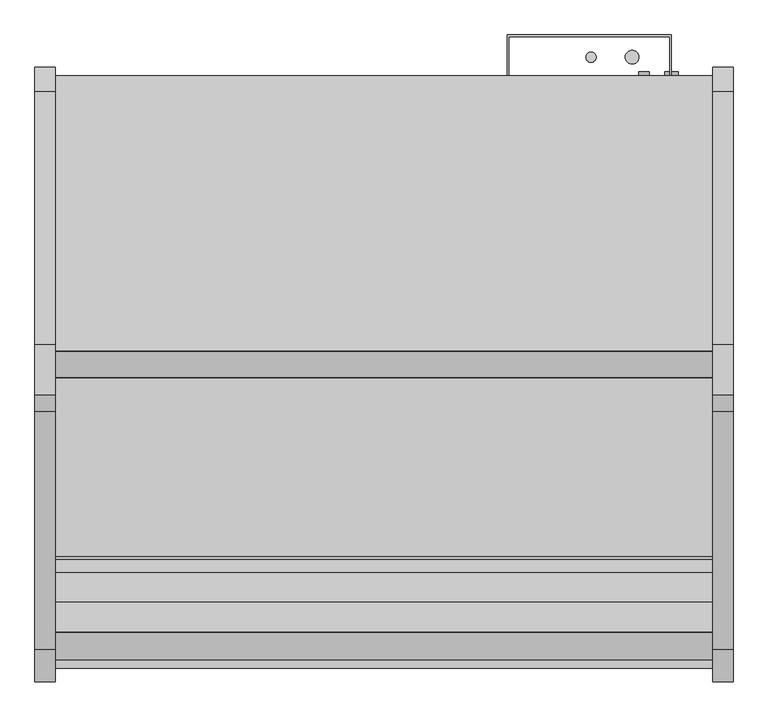
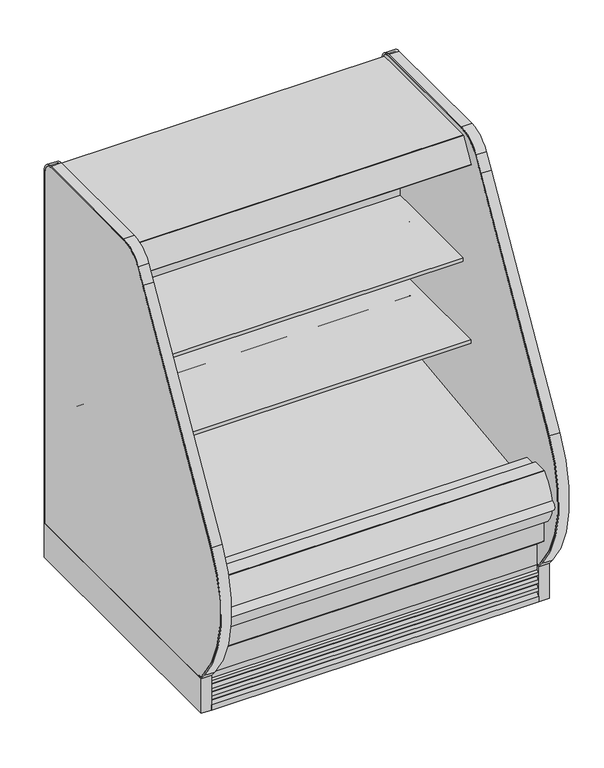
"""IFC4 building model written with IfcOpenShell, lengths in millimetres: proxy geometry."""

from ifc_helpers import new_model, si_unit, point, frame, frame_2d, origin, origin_with_axes, place, context, project, spatial, polyline, circle_curve, trimmed, segment, composite_curve, outline, extrude, source, transform, mapped, element, save
from ifc_brep_helpers import plane_surface, revolved_surface, advanced_brep


def mechanical_equipment_8da21b60(model_context):
    return source(origin(), model_context, "Body", "SolidModel", [
        extrude(outline(polyline([(-1207.2868281, 130.175), (-1207.2868281, -0.0003808), (-1376.2339273, -0.0003808), (-1376.2339273, 136.4466748), (-1288.2500912, 136.4466748), (-1280.7758002, 130.175), (-1207.2868281, 130.175)])), frame((0.0, 0.0, 0.0), z_axis=(1.0, 0.0, 0.0), x_axis=(0.0, 1.0, 0.0)), (0.0, 0.0, 1.0), 1219.2),
        extrude(outline(composite_curve([segment(polyline([(-1398.2490481, 0.0), (-1398.2490481, 20.8794252)]), True, "CONTINUOUS"), segment(trimmed(circle_curve(frame_2d((-1397.8038485, 33.7824713)), 12.9107243), [point((-1398.2490481, 20.8794252))], [point((-1385.5100751, 29.8391301))], True, "CARTESIAN"), True, "CONTINUOUS"), segment(polyline([(-1385.5100751, 29.8391301), (-1381.3520273, 40.67714), (-1391.9892225, 38.5193172), (-1393.9831225, 38.5193172), (-1393.9831225, 51.2193172)]), True, "CONTINUOUS"), segment(trimmed(circle_curve(frame_2d((-1398.4009903, 64.7214645)), 14.2065314), [point((-1393.9831225, 51.2193172))], [point((-1384.8411244, 60.4840631))], True, "CARTESIAN"), True, "CONTINUOUS"), segment(polyline([(-1384.8411244, 60.4840631), (-1381.3520273, 71.6493231), (-1391.9892225, 69.4915004), (-1393.9831225, 69.4915004), (-1393.9831225, 82.1915004)]), True, "CONTINUOUS"), segment(trimmed(circle_curve(frame_2d((-1398.4733657, 95.765064)), 14.2969897), [point((-1393.9831225, 82.1915004))], [point((-1384.8411244, 91.4562462))], True, "CARTESIAN"), True, "CONTINUOUS"), segment(polyline([(-1384.8411244, 91.4562462), (-1381.3520273, 102.4950543), (-1391.9892225, 100.4638704), (-1393.9831225, 100.4638704), (-1393.9831225, 113.1638704)]), True, "CONTINUOUS"), segment(trimmed(circle_curve(frame_2d((-1393.3853579, 124.1285303)), 10.9809422), [point((-1393.9831225, 113.1638704))], [point((-1385.5996238, 116.3849243))], True, "CARTESIAN"), True, "CONTINUOUS"), segment(polyline([(-1385.5996238, 116.3849243), (-1385.5996238, 136.5150291), (-1385.5996238, 218.1326317), (-1376.2339273, 210.2738792), (-1376.2339273, 136.5150291), (-1376.2339273, 0.0), (-1398.2490481, 0.0)]), True, "CONTINUOUS")], self_intersect=False)), frame((0.0, 0.0, 0.0), z_axis=(1.0, 0.0, 0.0), x_axis=(0.0, 1.0, 0.0)), (0.0, 0.0, 1.0), 1219.2),
        extrude(outline(polyline([(0.0, -101.6), (0.0, 0.0), (1219.2, 0.0), (1219.2, -101.6), (0.0, -101.6)])), frame((1219.2, -799.6871494, 1475.6701837), z_axis=(0.0, 0.42261826174518546, 0.906307787034558), x_axis=(-1.0, 0.0, 0.0)), (0.0, 0.0, 1.0), 25.4),
        extrude(outline(composite_curve([segment(polyline([(-856.3720739, 1487.6222561), (-855.4141789, 1487.6575247), (-854.8866944, 1488.2643263), (-826.873982, 1488.75329), (-826.3775297, 1488.1402224), (-825.5510905, 1488.0799085), (-824.9739816, 1487.5027996), (-826.8086172, 1485.4249376), (-826.6916488, 1478.7238224)]), True, "CONTINUOUS"), segment(trimmed(circle_curve(frame_2d((-823.9572832, 1478.3207136)), 2.7639197), [point((-826.6916488, 1478.7238224))], [point((-824.8850662, 1475.717164))], True, "CARTESIAN"), True, "CONTINUOUS"), segment(trimmed(circle_curve(frame_2d((-826.0622124, 1472.4138499)), 3.5067873), [point((-824.8850662, 1475.717164))], [point((-823.8846356, 1475.1626163))], False, "CARTESIAN"), True, "CONTINUOUS"), segment(trimmed(circle_curve(frame_2d((-826.2189323, 1469.0233906)), 6.5680312), [point((-823.8846356, 1475.1626163))], [point((-819.6542304, 1469.2324879))], False, "CARTESIAN"), True, "CONTINUOUS"), segment(trimmed(circle_curve(frame_2d((-1771.7877951, 1448.0264548)), 952.3696872), [point((-819.6542304, 1469.2324879))], [point((-819.4223583, 1450.8717555))], False, "CARTESIAN"), True, "CONTINUOUS"), segment(trimmed(circle_curve(frame_2d((-850.2254196, 1450.8892193)), 30.8030662), [point((-819.4223583, 1450.8717555))], [point((-819.4538953, 1449.4955962))], False, "CARTESIAN"), True, "CONTINUOUS"), segment(trimmed(circle_curve(frame_2d((-820.1873248, 1449.5288127)), 0.7341812), [point((-819.4538953, 1449.4955962))], [point((-820.1745116, 1448.7947433))], False, "CARTESIAN"), True, "CONTINUOUS"), segment(polyline([(-820.1745116, 1448.7947433), (-821.4350911, 1448.7727398), (-822.2122695, 1449.0640291), (-858.1537301, 1448.4560531), (-859.1450473, 1448.07347), (-860.3206391, 1448.0939901)]), True, "CONTINUOUS"), segment(trimmed(circle_curve(frame_2d((-860.3078259, 1448.8280595)), 0.7341812), [point((-860.3206391, 1448.0939901))], [point((-861.0113379, 1448.6180762))], False, "CARTESIAN"), True, "CONTINUOUS"), segment(trimmed(circle_curve(frame_2d((308.1866283, 1488.9190227)), 1169.8923242), [point((-861.0113379, 1448.6180762))], [point((-861.5275157, 1468.501587))], False, "CARTESIAN"), True, "CONTINUOUS"), segment(trimmed(circle_curve(frame_2d((-855.2571389, 1468.6110368)), 6.2713319), [point((-861.5275157, 1468.501587))], [point((-858.4871137, 1473.9866175))], False, "CARTESIAN"), True, "CONTINUOUS"), segment(polyline([(-858.4871137, 1473.9866175), (-856.5261956, 1475.1648559)]), True, "CONTINUOUS"), segment(trimmed(circle_curve(frame_2d((-858.3327963, 1478.1715444)), 3.5077032), [point((-856.5261956, 1475.1648559))], [point((-854.825627, 1478.232742))], True, "CARTESIAN"), True, "CONTINUOUS"), segment(polyline([(-854.825627, 1478.232742), (-854.9784229, 1485.020105), (-856.884522, 1487.0327521), (-856.3720739, 1487.6222561)]), True, "CONTINUOUS")], self_intersect=False)), frame((0.0, 0.0, 0.0), z_axis=(1.0, 0.0, 0.0), x_axis=(0.0, 1.0, 0.0)), (0.0, 0.0, 1.0), 1219.2),
        extrude(outline(composite_curve([segment(polyline([(-903.3507477, 1486.8022403), (-902.3928526, 1486.8375089), (-901.8653681, 1487.4443105), (-873.8526557, 1487.9332742), (-873.3562034, 1487.3202066), (-872.5297642, 1487.2598927), (-871.9526553, 1486.6827838), (-873.787291, 1484.6049218), (-873.6703226, 1477.9038066)]), True, "CONTINUOUS"), segment(trimmed(circle_curve(frame_2d((-870.935957, 1477.5006978)), 2.7639197), [point((-873.6703226, 1477.9038066))], [point((-871.8637399, 1474.8971482))], True, "CARTESIAN"), True, "CONTINUOUS"), segment(trimmed(circle_curve(frame_2d((-873.0408861, 1471.5938341)), 3.5067873), [point((-871.8637399, 1474.8971482))], [point((-870.8633094, 1474.3426005))], False, "CARTESIAN"), True, "CONTINUOUS"), segment(trimmed(circle_curve(frame_2d((-873.1976061, 1468.2033748)), 6.5680312), [point((-870.8633094, 1474.3426005))], [point((-866.6329041, 1468.4124721))], False, "CARTESIAN"), True, "CONTINUOUS"), segment(trimmed(circle_curve(frame_2d((-1818.7664689, 1447.206439)), 952.3696872), [point((-866.6329041, 1468.4124721))], [point((-866.401032, 1450.0517397))], False, "CARTESIAN"), True, "CONTINUOUS"), segment(trimmed(circle_curve(frame_2d((-897.2040933, 1450.0692035)), 30.8030662), [point((-866.401032, 1450.0517397))], [point((-866.4325691, 1448.6755804))], False, "CARTESIAN"), True, "CONTINUOUS"), segment(trimmed(circle_curve(frame_2d((-867.1659985, 1448.7087969)), 0.7341812), [point((-866.4325691, 1448.6755804))], [point((-867.1531853, 1447.9747275))], False, "CARTESIAN"), True, "CONTINUOUS"), segment(polyline([(-867.1531853, 1447.9747275), (-868.4137648, 1447.952724), (-869.1909432, 1448.2440133), (-905.1324038, 1447.6360373), (-906.1237211, 1447.2534542), (-907.2993128, 1447.2739743)]), True, "CONTINUOUS"), segment(trimmed(circle_curve(frame_2d((-907.2864996, 1448.0080437)), 0.7341812), [point((-907.2993128, 1447.2739743))], [point((-907.9900116, 1447.7980604))], False, "CARTESIAN"), True, "CONTINUOUS"), segment(trimmed(circle_curve(frame_2d((261.2079545, 1488.0990069)), 1169.8923242), [point((-907.9900116, 1447.7980604))], [point((-908.5061894, 1467.6815712))], False, "CARTESIAN"), True, "CONTINUOUS"), segment(trimmed(circle_curve(frame_2d((-902.2358127, 1467.791021)), 6.2713319), [point((-908.5061894, 1467.6815712))], [point((-905.4657874, 1473.1666017))], False, "CARTESIAN"), True, "CONTINUOUS"), segment(polyline([(-905.4657874, 1473.1666017), (-903.5048694, 1474.3448401)]), True, "CONTINUOUS"), segment(trimmed(circle_curve(frame_2d((-905.31147, 1477.3515286)), 3.5077032), [point((-903.5048694, 1474.3448401))], [point((-901.8043008, 1477.4127262))], True, "CARTESIAN"), True, "CONTINUOUS"), segment(polyline([(-901.8043008, 1477.4127262), (-901.9570967, 1484.2000892), (-903.8631957, 1486.2127363), (-903.3507477, 1486.8022403)]), True, "CONTINUOUS")], self_intersect=False)), frame((0.0, 0.0, 0.0), z_axis=(1.0, 0.0, 0.0), x_axis=(0.0, 1.0, 0.0)), (0.0, 0.0, 1.0), 1219.2),
        extrude(outline(composite_curve([segment(polyline([(-1430.5207837, 390.4771975), (-1430.5207837, 349.2540688), (-1454.9909131, 349.2540688)]), True, "CONTINUOUS"), segment(trimmed(circle_curve(frame_2d((-1359.7644053, 433.283303)), 126.9999999), [point((-1454.9909131, 349.2540688))], [point((-1486.2875159, 444.2788694))], False, "CARTESIAN"), True, "CONTINUOUS"), segment(trimmed(circle_curve(frame_2d((-1312.9030759, 405.0685499)), 177.7628003), [point((-1486.2875159, 444.2788694))], [point((-1433.6857347, 535.4953973))], False, "CARTESIAN"), True, "CONTINUOUS"), segment(trimmed(circle_curve(frame_2d((-1422.8289382, 523.7717132)), 15.9785731), [point((-1433.6857347, 535.4953973))], [point((-1432.3887837, 536.575))], False, "CARTESIAN"), True, "CONTINUOUS"), segment(polyline([(-1432.3887837, 536.575), (-1377.3315877, 536.575), (-1377.3315877, 522.2875), (-1379.5124455, 522.2875), (-1379.5124455, 390.4771975), (-1430.5207837, 390.4771975)]), True, "CONTINUOUS")], self_intersect=False)), frame((0.0, 0.0, 0.0), z_axis=(1.0, 0.0, 0.0), x_axis=(0.0, 1.0, 0.0)), (0.0, 0.0, 1.0), 1219.2),
        extrude(outline(composite_curve([segment(trimmed(circle_curve(frame_2d((609.6, -1125.4089273)), 38.1), [point((571.5, -1125.4089273))], [point((647.7, -1125.4089273))], False, "CARTESIAN"), True, "CONTINUOUS"), segment(trimmed(circle_curve(frame_2d((609.6, -1125.4089273)), 38.1), [point((647.7, -1125.4089273))], [point((571.5, -1125.4089273))], False, "CARTESIAN"), True, "CONTINUOUS")], self_intersect=False)), frame((0.0, 0.0, 68.5310382), z_axis=(0.0, 0.0, 1.0), x_axis=(1.0, 0.0, 0.0)), (0.0, 0.0, 1.0), 52.7807458),
        extrude(outline(polyline([(1219.2, -452.3089273), (1219.2, -503.4770145), (0.0, -503.4770145), (0.0, -452.3089273), (1219.2, -452.3089273)])), frame((0.0, 0.0, 415.8429537), z_axis=(0.0, 0.0, 1.0), x_axis=(1.0, 0.0, 0.0)), (0.0, 0.0, 1.0), 1046.4774215),
        extrude(outline(composite_curve([segment(polyline([(-503.4770145, 415.8429537), (-452.3089273, 415.8429537), (-452.3089273, 350.7638053)]), True, "CONTINUOUS"), segment(trimmed(circle_curve(frame_2d((-604.8944357, 364.8057873)), 153.2302667), [point((-452.3089273, 350.7638053))], [point((-599.382701, 211.674682))], False, "CARTESIAN"), True, "CONTINUOUS"), segment(polyline([(-599.382701, 211.674682), (-1043.4743285, 195.6902403), (-1096.5862318, 157.108203), (-1163.4022387, 157.108203), (-1222.6456907, 183.5781606)]), True, "CONTINUOUS"), segment(trimmed(circle_curve(frame_2d((-1229.7607422, 334.6755912)), 151.2648587), [point((-1222.6456907, 183.5781606))], [point((-1379.5124455, 313.3335003))], False, "CARTESIAN"), True, "CONTINUOUS"), segment(polyline([(-1379.5124455, 313.3335003), (-1379.5124455, 520.7), (-1322.6270145, 520.7), (-1322.6270145, 413.1242521), (-1298.2271496, 413.1242521), (-1292.7855784, 415.0658915), (-599.3661067, 499.7256153), (-599.0019346, 494.5177112), (-516.37749, 500.2953752)]), True, "CONTINUOUS"), segment(trimmed(circle_curve(frame_2d((-516.37749, 513.1958507)), 12.9004754), [point((-516.37749, 500.2953752))], [point((-503.4770145, 513.1958507))], True, "CARTESIAN"), True, "CONTINUOUS"), segment(polyline([(-503.4770145, 513.1958507), (-503.4770145, 415.8429537)]), True, "CONTINUOUS")], self_intersect=False)), frame((0.0, 0.0, 0.0), z_axis=(1.0, 0.0, 0.0), x_axis=(0.0, 1.0, 0.0)), (0.0, 0.0, 1.0), 1219.2),
        extrude(outline(composite_curve([segment(polyline([(-530.9801751, 960.3717348), (-569.2018757, 991.4550034)]), True, "CONTINUOUS"), segment(trimmed(circle_curve(frame_2d((-609.2663488, 942.1895186)), 63.5), [point((-569.2018757, 991.4550034))], [point((-601.7092961, 1005.2382375))], True, "CARTESIAN"), True, "CONTINUOUS"), segment(polyline([(-601.7092961, 1005.2382375), (-795.7710126, 1028.4985771), (-795.7710126, 1042.2134588), (-909.8770145, 1042.2134588), (-909.8770145, 1055.7072088), (-503.4770145, 1055.7072088), (-503.4770145, 954.8969333), (-514.5849068, 954.6806162)]), True, "CONTINUOUS"), segment(trimmed(circle_curve(frame_2d((-515.0728525, 979.736644)), 25.0607786), [point((-514.5849068, 954.6806162))], [point((-530.9801751, 960.3717348))], False, "CARTESIAN"), True, "CONTINUOUS")], self_intersect=False)), frame((0.0, 0.0, 0.0), z_axis=(1.0, 0.0, 0.0), x_axis=(0.0, 1.0, 0.0)), (0.0, 0.0, 1.0), 1219.2),
        extrude(outline(composite_curve([segment(polyline([(-503.4770145, 662.7969333), (-514.5849068, 662.5806162)]), True, "CONTINUOUS"), segment(trimmed(circle_curve(frame_2d((-515.0728525, 687.636644)), 25.0607786), [point((-514.5849068, 662.5806162))], [point((-530.9801751, 668.2717348))], False, "CARTESIAN"), True, "CONTINUOUS"), segment(polyline([(-530.9801751, 668.2717348), (-569.2018757, 699.3550034)]), True, "CONTINUOUS"), segment(trimmed(circle_curve(frame_2d((-609.2663488, 650.0895186)), 63.5), [point((-569.2018757, 699.3550034))], [point((-602.5000022, 713.2279898))], True, "CARTESIAN"), True, "CONTINUOUS"), segment(polyline([(-602.5000022, 713.2279898), (-846.5710126, 728.338644), (-846.5710126, 750.1134588), (-960.6770145, 750.1134588), (-960.6770145, 763.6072088), (-503.4770145, 763.6072088), (-503.4770145, 662.7969333)]), True, "CONTINUOUS")], self_intersect=False)), frame((0.0, 0.0, 0.0), z_axis=(1.0, 0.0, 0.0), x_axis=(0.0, 1.0, 0.0)), (0.0, 0.0, 1.0), 1219.2),
        extrude(outline(composite_curve([segment(trimmed(circle_curve(frame_2d((-695.3013052, 1455.43905)), 0.76835), [point((-695.3013052, 1456.2074))], [point((-695.9976668, 1455.7637687))], True, "CARTESIAN"), True, "CONTINUOUS"), segment(polyline([(-695.9976668, 1455.7637687), (-706.5611798, 1433.110242)]), True, "CONTINUOUS"), segment(trimmed(circle_curve(frame_2d((-707.9856498, 1433.7744833)), 1.5717288), [point((-706.5611798, 1433.110242))], [point((-708.6498911, 1432.3500132))], False, "CARTESIAN"), True, "CONTINUOUS"), segment(polyline([(-708.6498911, 1432.3500132), (-715.881023, 1435.7219454), (-715.5482534, 1436.4355721), (-708.2947774, 1433.0532208)]), True, "CONTINUOUS"), segment(trimmed(circle_curve(frame_2d((-707.943721, 1433.7474904)), 0.7779788), [point((-708.2947774, 1433.0532208))], [point((-707.2380589, 1433.419936))], True, "CARTESIAN"), True, "CONTINUOUS"), segment(polyline([(-707.2380589, 1433.419936), (-696.6605659, 1456.2074), (-788.8757065, 1499.8444274), (-800.3012047, 1476.8507393)]), True, "CONTINUOUS"), segment(trimmed(circle_curve(frame_2d((-799.6017464, 1476.5031805)), 0.78105), [point((-800.3012047, 1476.8507393))], [point((-799.950235, 1475.8041849))], True, "CARTESIAN"), True, "CONTINUOUS"), segment(polyline([(-799.950235, 1475.8041849), (-795.6757679, 1473.6731228), (-796.0261524, 1472.9679779), (-800.3025155, 1475.0928905)]), True, "CONTINUOUS"), segment(trimmed(circle_curve(frame_2d((-799.6017464, 1476.5031805)), 1.5748), [point((-800.3025155, 1475.0928905))], [point((-801.0120364, 1477.2039496))], False, "CARTESIAN"), True, "CONTINUOUS"), segment(polyline([(-801.0120364, 1477.2039496), (-796.0056712, 1487.2792037), (-816.3291285, 1487.2792037)]), True, "CONTINUOUS"), segment(trimmed(circle_curve(frame_2d((-816.5814575, 1490.9411983)), 3.6706776), [point((-816.3291285, 1487.2792037))], [point((-817.4214474, 1487.3679237))], False, "CARTESIAN"), True, "CONTINUOUS"), segment(polyline([(-817.4214474, 1487.3679237), (-825.4219867, 1488.7786346), (-923.6334072, 1487.0643479)]), True, "CONTINUOUS"), segment(trimmed(circle_curve(frame_2d((-923.6196651, 1486.2770678)), 0.7874), [point((-923.6334072, 1487.0643479))], [point((-924.3015736, 1486.6707678))], True, "CARTESIAN"), True, "CONTINUOUS"), segment(polyline([(-924.3015736, 1486.6707678), (-925.5155025, 1486.0413812), (-941.8431879, 1457.7610006), (-942.4019879, 1456.7931306), (-948.3519379, 1446.4875149)]), True, "CONTINUOUS"), segment(trimmed(circle_curve(frame_2d((-949.7267532, 1447.2812649)), 1.5875), [point((-948.3519379, 1446.4875149))], [point((-950.5205032, 1445.9064496))], False, "CARTESIAN"), True, "CONTINUOUS"), segment(polyline([(-950.5205032, 1445.9064496), (-960.9762429, 1451.9430737)]), True, "CONTINUOUS"), segment(trimmed(circle_curve(frame_2d((-960.1824929, 1453.317889)), 1.5875), [point((-960.9762429, 1451.9430737))], [point((-961.5573082, 1454.111639))], False, "CARTESIAN"), True, "CONTINUOUS"), segment(polyline([(-961.5573082, 1454.111639), (-912.4789521, 1539.1178453)]), True, "CONTINUOUS"), segment(trimmed(circle_curve(frame_2d((-911.133385, 1538.3409817)), 1.553727), [point((-912.4789521, 1539.1178453))], [point((-911.133385, 1539.8947088))], False, "CARTESIAN"), True, "CONTINUOUS"), segment(polyline([(-911.133385, 1539.8947088), (-401.5419232, 1539.8947088), (-401.5419232, 1456.2074), (-695.3013052, 1456.2074)]), True, "CONTINUOUS")], self_intersect=False)), frame((0.0, 0.0, 0.0), z_axis=(1.0, 0.0, 0.0), x_axis=(0.0, 1.0, 0.0)), (0.0, 0.0, 1.0), 1219.2),
        extrude(outline(composite_curve([segment(trimmed(circle_curve(frame_2d((974.3400636, -715.8339273)), 9.525), [point((964.8150636, -715.8339273))], [point((983.8650636, -715.8339273))], False, "CARTESIAN"), True, "CONTINUOUS"), segment(trimmed(circle_curve(frame_2d((974.3400636, -715.8339273)), 9.525), [point((983.8650636, -715.8339273))], [point((964.8150636, -715.8339273))], False, "CARTESIAN"), True, "CONTINUOUS")], self_intersect=False)), frame((0.0, 0.0, 68.5310382), z_axis=(0.0, 0.0, 1.0), x_axis=(1.0, 0.0, 0.0)), (0.0, 0.0, 1.0), 52.7807458),
        extrude(outline(composite_curve([segment(trimmed(circle_curve(frame_2d((1017.8110784, -715.8339273)), 12.7), [point((1005.1110784, -715.8339273))], [point((1030.5110784, -715.8339273))], False, "CARTESIAN"), True, "CONTINUOUS"), segment(trimmed(circle_curve(frame_2d((1017.8110784, -715.8339273)), 12.7), [point((1030.5110784, -715.8339273))], [point((1005.1110784, -715.8339273))], False, "CARTESIAN"), True, "CONTINUOUS")], self_intersect=False)), frame((0.0, 0.0, 68.5310382), z_axis=(0.0, 0.0, 1.0), x_axis=(1.0, 0.0, 0.0)), (0.0, 0.0, 1.0), 52.7807458),
        advanced_brep(
        [(0.0, -401.5089273, 1495.0345648), (0.0, -401.5089273, 130.175), (0.0, -1280.7758002, 130.175), (0.0, -1430.5207837, 255.8259604), (0.0, -1430.5207837, 390.4771975), (0.0, -1379.5124455, 390.4771975), (0.0, -1379.5124455, 313.3335003), (0.0, -1222.6456907, 183.5781606), (0.0, -1163.4022387, 157.108203), (0.0, -1097.1040899, 157.108203), (0.0, -1043.9921866, 195.6902403), (0.0, -599.382701, 211.674682), (0.0, -452.3089273, 350.7638053), (0.0, -452.3089273, 1495.0345648), (1219.2, -401.5089273, 1495.0345648), (1219.2, -452.3089273, 1495.0345648), (1219.2, -452.3089273, 350.7638053), (1219.2, -599.382701, 211.674682), (1219.2, -1043.9921866, 195.6902403), (1219.2, -1097.1040899, 157.108203), (1219.2, -1163.4022387, 157.108203), (1219.2, -1222.6456907, 183.5781606), (1219.2, -1379.5124455, 313.3335003), (1219.2, -1379.5124455, 390.4771975), (1219.2, -1430.5207837, 390.4771975), (1219.2, -1430.5207837, 255.8259604), (1219.2, -1280.7758002, 130.175), (1219.2, -401.5089273, 130.175), (1117.6, -401.5089273, 417.7254285), (1117.6, -401.5089273, 316.1254285), (1117.6, -446.7209273, 316.1254285), (1117.6, -446.7209273, 417.7254285)],
        [
            (0, 1),
            (1, 2),
            (2, 3),
            (3, 4),
            (4, 5),
            (5, 6),
            (6, 7, circle_curve(frame((0.0, -1229.7607422, 334.6755912), z_axis=(1.0, 0.0, 0.0), x_axis=(0.0, 1.0, 0.0)), 151.2648587)),
            (7, 8),
            (8, 9),
            (9, 10),
            (10, 11),
            (11, 12, circle_curve(frame((0.0, -604.8944357, 364.8057873), z_axis=(1.0, 0.0, 0.0), x_axis=(0.0, 1.0, 0.0)), 153.2302667)),
            (12, 13),
            (13, 0),
            (14, 15),
            (15, 16),
            (16, 17, circle_curve(frame((1219.2, -604.8944357, 364.8057873), z_axis=(-1.0, 0.0, 0.0), x_axis=(0.0, 1.0, 0.0)), 153.2302667)),
            (17, 18),
            (18, 19),
            (19, 20),
            (20, 21),
            (21, 22, circle_curve(frame((1219.2, -1229.7607422, 334.6755912), z_axis=(-1.0, 0.0, 0.0), x_axis=(0.0, 1.0, 0.0)), 151.2648587)),
            (22, 23),
            (23, 24),
            (24, 25),
            (25, 26),
            (26, 27),
            (27, 14),
            (13, 15),
            (14, 0),
            (12, 16),
            (5, 23),
            (22, 6),
            (4, 24),
            (3, 25),
            (2, 26),
            (1, 27),
            (28, 29, circle_curve(frame((1117.6, -401.5089273, 366.9254285), z_axis=(0.0, -1.0, 0.0), x_axis=(0.0, 0.0, 1.0)), 50.8)),
            (29, 28, circle_curve(frame((1117.6, -401.5089273, 366.9254285), z_axis=(0.0, -1.0, 0.0), x_axis=(0.0, 0.0, 1.0)), 50.8)),
            (11, 17),
            (10, 18),
            (9, 19),
            (8, 20),
            (30, 31, circle_curve(frame((1117.6, -446.7209273, 366.9254285), z_axis=(0.0, 1.0, 0.0), x_axis=(0.0, 0.0, 1.0)), 50.8)),
            (31, 30, circle_curve(frame((1117.6, -446.7209273, 366.9254285), z_axis=(0.0, 1.0, 0.0), x_axis=(0.0, 0.0, 1.0)), 50.8)),
            (30, 29),
            (28, 31),
            (7, 21),
        ],
        [
            plane_surface(frame((0.0, -452.3089273, 1495.0345648), z_axis=(-1.0, 0.0, 0.0), x_axis=(0.0, 1.0, 0.0))),
            plane_surface(frame((1219.2, -452.3089273, 1495.0345648), z_axis=(1.0, 0.0, 0.0), x_axis=(0.0, -1.0, 0.0))),
            plane_surface(frame((1219.2, -401.5089273, 1495.0345648), z_axis=(0.0, 0.0, 1.0), x_axis=(-1.0, 0.0, 0.0))),
            plane_surface(frame((1219.2, -452.3089273, 1495.0345648), z_axis=(0.0, -1.0, 0.0), x_axis=(-1.0, 0.0, 0.0))),
            plane_surface(frame((1219.2, -1379.5124455, 313.3335003), z_axis=(0.0, 1.0, 0.0), x_axis=(-1.0, 0.0, 0.0))),
            plane_surface(frame((1219.2, -1379.5124455, 390.4771975), z_axis=(0.0, 0.0, 1.0), x_axis=(-1.0, 0.0, 0.0))),
            plane_surface(frame((1219.2, -1430.5207837, 390.4771975), z_axis=(0.0, -1.0, 0.0), x_axis=(-1.0, 0.0, 0.0))),
            plane_surface(frame((1219.2, -1430.5207837, 255.8259604), z_axis=(0.0, -0.6427876096870797, -0.7660444431185247), x_axis=(-1.0, 0.0, 0.0))),
            plane_surface(frame((1219.2, -1280.7758002, 130.175), z_axis=(0.0, 0.0, -1.0), x_axis=(-1.0, 0.0, 0.0))),
            plane_surface(frame((1219.2, -401.5089273, 130.175), z_axis=(0.0, 1.0, 0.0), x_axis=(-1.0, 0.0, 0.0))),
            revolved_surface(polyline([(0.0, -451.664169, 364.8057873), (1219.2, -451.664169, 364.8057873)]), (0.0, -604.8944357, 364.8057873), (-1.0, 0.0, 0.0)),
            plane_surface(frame((1219.2, -599.382701, 211.674682), z_axis=(0.0, -0.03592843195619589, 0.9993543654666092), x_axis=(-1.0, 0.0, 0.0))),
            plane_surface(frame((1219.2, -1043.9921866, 195.6902403), z_axis=(0.0, -0.5877252382161418, 0.8090605937528904), x_axis=(-1.0, 0.0, 0.0))),
            plane_surface(frame((1219.2, -1097.1040899, 157.108203), z_axis=(0.0, 0.0, 1.0), x_axis=(-1.0, 0.0, 0.0))),
            plane_surface(frame((1117.6, -446.7209273, 417.7254285), z_axis=(0.0, 1.0, 0.0), x_axis=(-1.0, 0.0, 0.0))),
            revolved_surface(polyline([(1117.6, -401.5089273, 417.7254285), (1117.6, -446.7209273, 417.7254285)]), (1117.6, -446.7209273, 366.9254285), (0.0, 1.0, 0.0)),
            plane_surface(frame((1219.2, -1163.4022387, 157.108203), z_axis=(0.0, 0.4079333701562298, 0.9130117006440719), x_axis=(-1.0, 0.0, 0.0))),
            revolved_surface(polyline([(0.0, -1078.4958835000002, 334.6755912), (1219.2, -1078.4958835000002, 334.6755912)]), (0.0, -1229.7607422, 334.6755912), (-1.0, 0.0, 0.0)),
        ],
        [
            (0, [[1, 2, 3, 4, 5, 6, 7, 8, 9, 10, 11, 12, 13, 14]]),
            (1, [[15, 16, 17, 18, 19, 20, 21, 22, 23, 24, 25, 26, 27, 28]]),
            (2, [[-14, 29, -15, 30]]),
            (3, [[-13, 31, -16, -29]]),
            (4, [[-6, 32, -23, 33]]),
            (5, [[-5, 34, -24, -32]]),
            (6, [[-4, 35, -25, -34]]),
            (7, [[-3, 36, -26, -35]]),
            (8, [[-2, 37, -27, -36]]),
            (9, [[-1, -30, -28, -37], [38, 39]]),
            (10, [[-12, 40, -17, -31]]),
            (11, [[-11, 41, -18, -40]]),
            (12, [[-10, 42, -19, -41]]),
            (13, [[-9, 43, -20, -42]]),
            (14, [[44, 45]]),
            (15, [[-44, 46, -38, 47]]),
            (15, [[-45, -47, -39, -46]]),
            (16, [[-8, 48, -21, -43]]),
            (17, [[-7, -33, -22, -48]]),
        ],
    ),
        extrude(outline(composite_curve([segment(trimmed(circle_curve(frame_2d((-1359.976437, 433.7703881)), 126.8661634), [point((-1486.5241419, 442.7538054))], [point((-1485.1943519, 413.38664))], True, "CARTESIAN"), True, "CONTINUOUS"), segment(trimmed(circle_curve(frame_2d((-1481.8568934, 431.5331592)), 18.450875), [point((-1485.1943519, 413.38664))], [point((-1484.8478424, 449.7399989))], False, "CARTESIAN"), True, "CONTINUOUS"), segment(trimmed(circle_curve(frame_2d((-1312.8669676, 404.7799086)), 177.7606003), [point((-1484.8478424, 449.7399989))], [point((-1486.5241419, 442.7538054))], True, "CARTESIAN"), True, "CONTINUOUS")], self_intersect=False)), frame((0.0, 0.0, 0.0), z_axis=(1.0, 0.0, 0.0), x_axis=(0.0, 1.0, 0.0)), (0.0, 0.0, 1.0), 1219.2),
        extrude(outline(composite_curve([segment(trimmed(circle_curve(frame_2d((368.3, 1143.0)), 12.7), [point((368.3, 1155.7))], [point((368.3, 1130.3))], False, "CARTESIAN"), True, "CONTINUOUS"), segment(trimmed(circle_curve(frame_2d((368.3, 1143.0)), 12.7), [point((368.3, 1130.3))], [point((368.3, 1155.7))], False, "CARTESIAN"), True, "CONTINUOUS")], self_intersect=False)), frame((0.0, -446.7209273, 0.0), z_axis=(0.0, 1.0, 0.0), x_axis=(0.0, 0.0, 1.0)), (0.0, 0.0, 1.0), 52.8518438),
        extrude(outline(composite_curve([segment(trimmed(circle_curve(frame_2d((368.3, 1092.2)), 9.525), [point((368.3, 1101.725))], [point((368.3, 1082.675))], False, "CARTESIAN"), True, "CONTINUOUS"), segment(trimmed(circle_curve(frame_2d((368.3, 1092.2)), 9.525), [point((368.3, 1082.675))], [point((368.3, 1101.725))], False, "CARTESIAN"), True, "CONTINUOUS")], self_intersect=False)), frame((0.0, -446.7209273, 0.0), z_axis=(0.0, 1.0, 0.0), x_axis=(0.0, 0.0, 1.0)), (0.0, 0.0, 1.0), 52.8518438),
        advanced_brep(
        [(0.0, -401.5089273, 130.175), (0.0, -401.5089273, 0.0), (0.0, -442.9395023, 0.0), (0.0, -442.9395023, 46.0815692), (0.0, -1163.3527173, 46.0815692), (0.0, -1163.3527173, -0.0003808), (0.0, -1207.2868281, -0.0003808), (0.0, -1207.2868281, 130.175), (1219.2, -401.5089273, 130.175), (1219.2, -1207.2868281, 130.175), (1219.2, -1207.2868281, -0.0003808), (1219.2, -1163.3527173, -0.0003808), (1219.2, -1163.3527173, 46.0815692), (1219.2, -442.9395023, 46.0815692), (1219.2, -442.9395023, 0.0), (1219.2, -401.5089273, 0.0), (558.8, -1125.4089273, 121.311784), (660.4, -1125.4089273, 121.311784), (660.4, -1125.4089273, 46.0815692), (643.3773415, -1163.3527173, 46.0815692), (643.3773415, -1163.3527173, -0.0003808), (575.8226585, -1163.3527173, -0.0003808), (575.8226585, -1163.3527173, 46.0815692), (558.8, -1125.4089273, 46.0815692), (946.15, -717.7620933, 121.311784), (1047.75, -717.7620933, 121.311784), (1047.75, -717.7620933, 46.0815692), (946.15, -717.7620933, 46.0815692)],
        [
            (0, 1),
            (1, 2),
            (2, 3),
            (3, 4),
            (4, 5),
            (5, 6),
            (6, 7),
            (7, 0),
            (8, 9),
            (9, 10),
            (10, 11),
            (11, 12),
            (12, 13),
            (13, 14),
            (14, 15),
            (15, 8),
            (0, 8),
            (15, 1),
            (16, 17, circle_curve(frame((609.6, -1125.4089273, 121.311784), z_axis=(0.0, 0.0, -1.0), x_axis=(1.0, 0.0, 0.0)), 50.8)),
            (17, 16, circle_curve(frame((609.6, -1125.4089273, 121.311784), z_axis=(0.0, 0.0, -1.0), x_axis=(1.0, 0.0, 0.0)), 50.8)),
            (17, 18),
            (18, 19, circle_curve(frame((609.6, -1125.4089273, 46.0815692), z_axis=(0.0, 0.0, -1.0), x_axis=(1.0, 0.0, 0.0)), 50.8)),
            (19, 20),
            (20, 21, circle_curve(frame((609.6, -1125.4089273, -0.0003808), z_axis=(0.0, 0.0, -1.0), x_axis=(1.0, 0.0, 0.0)), 50.8)),
            (21, 22),
            (22, 23, circle_curve(frame((609.6, -1125.4089273, 46.0815692), z_axis=(0.0, 0.0, -1.0), x_axis=(1.0, 0.0, 0.0)), 50.8)),
            (23, 16),
            (23, 18, circle_curve(frame((609.6, -1125.4089273, 46.0815692), z_axis=(0.0, 0.0, -1.0), x_axis=(1.0, 0.0, 0.0)), 50.8)),
            (24, 25, circle_curve(frame((996.95, -717.7620933, 121.311784), z_axis=(0.0, 0.0, -1.0), x_axis=(1.0, 0.0, 0.0)), 50.8)),
            (25, 24, circle_curve(frame((996.95, -717.7620933, 121.311784), z_axis=(0.0, 0.0, -1.0), x_axis=(1.0, 0.0, 0.0)), 50.8)),
            (25, 26),
            (26, 27, circle_curve(frame((996.95, -717.7620933, 46.0815692), z_axis=(0.0, 0.0, -1.0), x_axis=(1.0, 0.0, 0.0)), 50.8)),
            (27, 24),
            (27, 26, circle_curve(frame((996.95, -717.7620933, 46.0815692), z_axis=(0.0, 0.0, -1.0), x_axis=(1.0, 0.0, 0.0)), 50.8)),
            (4, 22),
            (21, 5),
            (11, 20),
            (19, 12),
            (3, 13),
            (2, 14),
            (7, 9),
            (6, 10),
        ],
        [
            plane_surface(frame((0.0, -1174.6544232, 130.175), z_axis=(-1.0, 0.0, 0.0), x_axis=(0.0, 1.0, 0.0))),
            plane_surface(frame((1219.2, -1174.6544232, 130.175), z_axis=(1.0, 0.0, 0.0), x_axis=(0.0, -1.0, 0.0))),
            plane_surface(frame((1219.2, -401.5089273, 0.0), z_axis=(0.0, 1.0, 0.0), x_axis=(-1.0, 0.0, 0.0))),
            plane_surface(frame((660.4, -1125.4089273, 121.311784), z_axis=(0.0, 0.0, -1.0), x_axis=(0.0, 1.0, 0.0))),
            revolved_surface(polyline([(660.4, -1125.4089273, 121.311784), (660.4, -1125.4089273, -0.0003808)]), (609.6, -1125.4089273, 0.0), (0.0, 0.0, 1.0)),
            revolved_surface(polyline([(660.4, -1125.4089273, 121.311784), (660.4, -1125.4089273, 46.0815692)]), (609.6, -1125.4089273, 0.0), (0.0, 0.0, 1.0)),
            plane_surface(frame((1047.75, -717.7620933, 121.311784), z_axis=(0.0, 0.0, -1.0), x_axis=(0.0, 1.0, 0.0))),
            revolved_surface(polyline([(1047.75, -717.7620933, 121.311784), (1047.75, -717.7620933, 46.0815692)]), (996.95, -717.7620933, 0.0), (0.0, 0.0, 1.0)),
            plane_surface(frame((1219.2, -1163.3527173, -0.0003808), z_axis=(0.0, 1.0, 0.0), x_axis=(-1.0, 0.0, 0.0))),
            plane_surface(frame((1219.2, -1163.3527173, 46.0815692), z_axis=(0.0, 0.0, -1.0), x_axis=(-1.0, 0.0, 0.0))),
            plane_surface(frame((1219.2, -442.9395023, 46.0815692), z_axis=(0.0, -1.0, 0.0), x_axis=(-1.0, 0.0, 0.0))),
            plane_surface(frame((1219.2, -442.9395023, 0.0), z_axis=(0.0, 0.0, -1.0), x_axis=(-1.0, 0.0, 0.0))),
            plane_surface(frame((1219.2, -401.5089273, 130.175), z_axis=(0.0, 0.0, 1.0), x_axis=(-1.0, 0.0, 0.0))),
            plane_surface(frame((1219.2, -1207.2868281, 130.175), z_axis=(0.0, -1.0, 0.0), x_axis=(-1.0, 0.0, 0.0))),
            plane_surface(frame((1219.2, -1207.2868281, -0.0003808), z_axis=(0.0, 0.0, -1.0), x_axis=(-1.0, 0.0, 0.0))),
        ],
        [
            (0, [[1, 2, 3, 4, 5, 6, 7, 8]]),
            (1, [[9, 10, 11, 12, 13, 14, 15, 16]]),
            (2, [[-1, 17, -16, 18]]),
            (3, [[19, 20]]),
            (4, [[-20, 21, 22, 23, 24, 25, 26, 27]]),
            (5, [[-19, -27, 28, -21]]),
            (6, [[29, 30]]),
            (7, [[-30, 31, 32, 33]]),
            (7, [[-29, -33, 34, -31]]),
            (8, [[-5, 35, -25, 36]]),
            (8, [[-12, 37, -23, 38]]),
            (9, [[-4, 39, -13, -38, -22, -28, -26, -35], [-32, -34]]),
            (10, [[-3, 40, -14, -39]]),
            (11, [[-2, -18, -15, -40]]),
            (12, [[-8, 41, -9, -17]]),
            (13, [[-7, 42, -10, -41]]),
            (14, [[-6, -36, -24, -37, -11, -42]]),
        ],
    ),
        extrude(outline(polyline([(688.975, -695.7578022), (688.975, -1117.5324221), (180.975, -1117.5324221), (180.975, -695.7578022), (688.975, -695.7578022)])), frame((0.0, 0.0, 68.5310382), z_axis=(0.0, 0.0, 1.0), x_axis=(1.0, 0.0, 0.0)), (0.0, 0.0, 1.0), 6.35),
        extrude(outline(polyline([(1139.825, -401.5089273), (1139.825, -328.4839273), (841.375, -328.4839273), (841.375, -401.5089273), (838.2, -401.5089273), (838.2, -325.3089273), (1143.0, -325.3089273), (1143.0, -401.5089273), (1139.825, -401.5089273)])), frame((0.0, 0.0, 509.3917508), z_axis=(0.0, 0.0, 1.0), x_axis=(1.0, 0.0, 0.0)), (0.0, 0.0, 1.0), 744.968275),
        extrude(outline(composite_curve([segment(trimmed(circle_curve(frame_2d((993.775, -366.5839273)), 9.525), [point((984.25, -366.5839273))], [point((1003.3, -366.5839273))], False, "CARTESIAN"), True, "CONTINUOUS"), segment(trimmed(circle_curve(frame_2d((993.775, -366.5839273)), 9.525), [point((1003.3, -366.5839273))], [point((984.25, -366.5839273))], False, "CARTESIAN"), True, "CONTINUOUS")], self_intersect=False)), frame((0.0, 0.0, 938.4284214), z_axis=(0.0, 0.0, 1.0), x_axis=(1.0, 0.0, 0.0)), (0.0, 0.0, 1.0), 359.2448082),
        extrude(outline(composite_curve([segment(trimmed(circle_curve(frame_2d((1069.975, -366.5839273)), 12.7), [point((1057.275, -366.5839273))], [point((1082.675, -366.5839273))], False, "CARTESIAN"), True, "CONTINUOUS"), segment(trimmed(circle_curve(frame_2d((1069.975, -366.5839273)), 12.7), [point((1082.675, -366.5839273))], [point((1057.275, -366.5839273))], False, "CARTESIAN"), True, "CONTINUOUS")], self_intersect=False)), frame((0.0, 0.0, 938.4284214), z_axis=(0.0, 0.0, 1.0), x_axis=(1.0, 0.0, 0.0)), (0.0, 0.0, 1.0), 359.2448082),
        extrude(outline(composite_curve([segment(polyline([(-391.9839273, 1520.06879), (-391.9839273, 136.525), (-1385.6035478, 136.525), (-1385.6035478, 142.8650291), (-1394.3058513, 142.8650291)]), True, "CONTINUOUS"), segment(trimmed(circle_curve(frame_2d((-1394.3058513, 146.0172985)), 3.1522695), [point((-1394.3058513, 142.8650291))], [point((-1396.6425152, 143.9014525))], False, "CARTESIAN"), True, "CONTINUOUS"), segment(trimmed(circle_curve(frame_2d((-1254.3960787, 272.7054115)), 191.8971301), [point((-1396.6425152, 143.9014525))], [point((-1413.8476931, 165.936075))], False, "CARTESIAN"), True, "CONTINUOUS"), segment(trimmed(circle_curve(frame_2d((-1063.8305371, 460.0786093)), 457.2), [point((-1413.8476931, 165.936075))], [point((-1459.7773517, 688.6786093))], False, "CARTESIAN"), True, "CONTINUOUS"), segment(polyline([(-1459.7773517, 688.6786093), (-987.1063555, 1507.36879)]), True, "CONTINUOUS"), segment(trimmed(circle_curve(frame_2d((-899.1181745, 1456.56879)), 101.6), [point((-987.1063555, 1507.36879))], [point((-899.1181745, 1558.16879))], False, "CARTESIAN"), True, "CONTINUOUS"), segment(polyline([(-899.1181745, 1558.16879), (-430.0839273, 1558.16879)]), True, "CONTINUOUS"), segment(trimmed(circle_curve(frame_2d((-430.0839273, 1520.06879)), 38.1), [point((-430.0839273, 1558.16879))], [point((-391.9839273, 1520.06879))], False, "CARTESIAN"), True, "CONTINUOUS")], self_intersect=False)), frame((1219.2, 0.0, 0.0), z_axis=(1.0, 0.0, 0.0), x_axis=(0.0, 1.0, 0.0)), (0.0, 0.0, 1.0), 38.1),
        extrude(outline(composite_curve([segment(polyline([(-391.9839273, 1520.06879), (-391.9839273, 136.4983166), (-1385.6035478, 136.4983166), (-1385.6035478, 142.8650291), (-1394.3058513, 142.8650291)]), True, "CONTINUOUS"), segment(trimmed(circle_curve(frame_2d((-1394.3058513, 146.0172985)), 3.1522695), [point((-1394.3058513, 142.8650291))], [point((-1396.6425152, 143.9014525))], False, "CARTESIAN"), True, "CONTINUOUS"), segment(trimmed(circle_curve(frame_2d((-1254.3960787, 272.7054115)), 191.8971301), [point((-1396.6425152, 143.9014525))], [point((-1413.8476931, 165.936075))], False, "CARTESIAN"), True, "CONTINUOUS"), segment(trimmed(circle_curve(frame_2d((-1063.8305371, 460.0786093)), 457.2), [point((-1413.8476931, 165.936075))], [point((-1459.7773517, 688.6786093))], False, "CARTESIAN"), True, "CONTINUOUS"), segment(polyline([(-1459.7773517, 688.6786093), (-987.1063555, 1507.36879)]), True, "CONTINUOUS"), segment(trimmed(circle_curve(frame_2d((-899.1181745, 1456.56879)), 101.6), [point((-987.1063555, 1507.36879))], [point((-899.1181745, 1558.16879))], False, "CARTESIAN"), True, "CONTINUOUS"), segment(polyline([(-899.1181745, 1558.16879), (-430.0839273, 1558.16879)]), True, "CONTINUOUS"), segment(trimmed(circle_curve(frame_2d((-430.0839273, 1520.06879)), 38.1), [point((-430.0839273, 1558.16879))], [point((-391.9839273, 1520.06879))], False, "CARTESIAN"), True, "CONTINUOUS")], self_intersect=False)), frame((-38.1, 0.0, 0.0), z_axis=(1.0, 0.0, 0.0), x_axis=(0.0, 1.0, 0.0)), (0.0, 0.0, 1.0), 38.1),
        extrude(outline(composite_curve([segment(polyline([(-391.9839273, 136.5150291), (-391.9839273, 1520.06879)]), True, "CONTINUOUS"), segment(trimmed(circle_curve(frame_2d((-430.0839273, 1520.06879)), 38.1), [point((-391.9839273, 1520.06879))], [point((-430.0839273, 1558.16879))], True, "CARTESIAN"), True, "CONTINUOUS"), segment(polyline([(-430.0839273, 1558.16879), (-899.1181745, 1558.16879)]), True, "CONTINUOUS"), segment(trimmed(circle_curve(frame_2d((-899.1181745, 1456.56879)), 101.6), [point((-899.1181745, 1558.16879))], [point((-987.1063555, 1507.36879))], True, "CARTESIAN"), True, "CONTINUOUS"), segment(polyline([(-987.1063555, 1507.36879), (-1459.7773517, 688.6786093)]), True, "CONTINUOUS"), segment(trimmed(circle_curve(frame_2d((-1063.8305371, 460.0786093)), 457.2), [point((-1459.7773517, 688.6786093))], [point((-1413.8476931, 165.936075))], True, "CARTESIAN"), True, "CONTINUOUS"), segment(trimmed(circle_curve(frame_2d((-1254.3960787, 272.7054115)), 191.8971301), [point((-1413.8476931, 165.936075))], [point((-1396.6425152, 143.9014525))], True, "CARTESIAN"), True, "CONTINUOUS"), segment(trimmed(circle_curve(frame_2d((-1394.3058513, 146.0172985)), 3.1522695), [point((-1396.6425152, 143.9014525))], [point((-1394.3058513, 142.8650291))], True, "CARTESIAN"), True, "CONTINUOUS"), segment(polyline([(-1394.3058513, 142.8650291), (-1385.5996238, 142.8650291), (-1385.5996238, 136.5150291), (-1398.4589273, 136.5150291)]), True, "CONTINUOUS"), segment(trimmed(circle_curve(frame_2d((-1254.3960787, 272.7054115)), 198.2471301), [point((-1398.4589273, 136.5150291))], [point((-1418.9304387, 162.1144129))], False, "CARTESIAN"), True, "CONTINUOUS"), segment(trimmed(circle_curve(frame_2d((-1063.8305371, 460.0786093)), 463.55), [point((-1418.9304387, 162.1144129))], [point((-1465.276613, 691.8536093))], False, "CARTESIAN"), True, "CONTINUOUS"), segment(polyline([(-1465.276613, 691.8536093), (-1023.8335732, 1456.4553831), (-992.6056169, 1510.54379)]), True, "CONTINUOUS"), segment(trimmed(circle_curve(frame_2d((-899.1181745, 1456.56879)), 107.95), [point((-992.6056169, 1510.54379))], [point((-899.1181745, 1564.51879))], False, "CARTESIAN"), True, "CONTINUOUS"), segment(polyline([(-899.1181745, 1564.51879), (-430.0839273, 1564.51879)]), True, "CONTINUOUS"), segment(trimmed(circle_curve(frame_2d((-430.0839273, 1520.06879)), 44.45), [point((-430.0839273, 1564.51879))], [point((-385.6339273, 1520.06879))], False, "CARTESIAN"), True, "CONTINUOUS"), segment(polyline([(-385.6339273, 1520.06879), (-385.6339273, 136.5150291), (-391.9839273, 136.5150291)]), True, "CONTINUOUS")], self_intersect=False)), frame((1219.2, 0.0, 0.0), z_axis=(1.0, 0.0, 0.0), x_axis=(0.0, 1.0, 0.0)), (0.0, 0.0, 1.0), 38.1),
        extrude(outline(polyline([(0.0, -385.6339273), (0.0, -1398.4589273), (-38.1, -1398.4589273), (-38.1, -385.6339273), (0.0, -385.6339273)])), origin_with_axes(), (0.0, 0.0, 1.0), 136.4466748),
        extrude(outline(composite_curve([segment(polyline([(-391.9839273, 136.5150291), (-391.9839273, 1520.06879)]), True, "CONTINUOUS"), segment(trimmed(circle_curve(frame_2d((-430.0839273, 1520.06879)), 38.1), [point((-391.9839273, 1520.06879))], [point((-430.0839273, 1558.16879))], True, "CARTESIAN"), True, "CONTINUOUS"), segment(polyline([(-430.0839273, 1558.16879), (-899.1181745, 1558.16879)]), True, "CONTINUOUS"), segment(trimmed(circle_curve(frame_2d((-899.1181745, 1456.56879)), 101.6), [point((-899.1181745, 1558.16879))], [point((-987.1063555, 1507.36879))], True, "CARTESIAN"), True, "CONTINUOUS"), segment(polyline([(-987.1063555, 1507.36879), (-1459.7773517, 688.6786093)]), True, "CONTINUOUS"), segment(trimmed(circle_curve(frame_2d((-1063.8305371, 460.0786093)), 457.2), [point((-1459.7773517, 688.6786093))], [point((-1413.8476931, 165.936075))], True, "CARTESIAN"), True, "CONTINUOUS"), segment(trimmed(circle_curve(frame_2d((-1254.3960787, 272.7054115)), 191.8971301), [point((-1413.8476931, 165.936075))], [point((-1396.6425152, 143.9014525))], True, "CARTESIAN"), True, "CONTINUOUS"), segment(trimmed(circle_curve(frame_2d((-1394.3058513, 146.0172985)), 3.1522695), [point((-1396.6425152, 143.9014525))], [point((-1394.3058513, 142.8650291))], True, "CARTESIAN"), True, "CONTINUOUS"), segment(polyline([(-1394.3058513, 142.8650291), (-1385.5996238, 142.8650291), (-1385.5996238, 136.5150291), (-1398.4589273, 136.5150291)]), True, "CONTINUOUS"), segment(trimmed(circle_curve(frame_2d((-1254.3960787, 272.7054115)), 198.2471301), [point((-1398.4589273, 136.5150291))], [point((-1418.9304387, 162.1144129))], False, "CARTESIAN"), True, "CONTINUOUS"), segment(trimmed(circle_curve(frame_2d((-1063.8305371, 460.0786093)), 463.55), [point((-1418.9304387, 162.1144129))], [point((-1465.276613, 691.8536093))], False, "CARTESIAN"), True, "CONTINUOUS"), segment(polyline([(-1465.276613, 691.8536093), (-1023.8335732, 1456.4553831), (-992.6056169, 1510.54379)]), True, "CONTINUOUS"), segment(trimmed(circle_curve(frame_2d((-899.1181745, 1456.56879)), 107.95), [point((-992.6056169, 1510.54379))], [point((-899.1181745, 1564.51879))], False, "CARTESIAN"), True, "CONTINUOUS"), segment(polyline([(-899.1181745, 1564.51879), (-430.0839273, 1564.51879)]), True, "CONTINUOUS"), segment(trimmed(circle_curve(frame_2d((-430.0839273, 1520.06879)), 44.45), [point((-430.0839273, 1564.51879))], [point((-385.6339273, 1520.06879))], False, "CARTESIAN"), True, "CONTINUOUS"), segment(polyline([(-385.6339273, 1520.06879), (-385.6339273, 136.5150291), (-391.9839273, 136.5150291)]), True, "CONTINUOUS")], self_intersect=False)), frame((-38.1, 0.0, 0.0), z_axis=(1.0, 0.0, 0.0), x_axis=(0.0, 1.0, 0.0)), (0.0, 0.0, 1.0), 38.1),
        extrude(outline(polyline([(1257.3, -385.6339273), (1257.3, -1398.4589273), (1219.2, -1398.4589273), (1219.2, -385.6339273), (1257.3, -385.6339273)])), frame((0.0, 0.0, -0.0003808), z_axis=(0.0, 0.0, 1.0), x_axis=(1.0, 0.0, 0.0)), (0.0, 0.0, 1.0), 136.5154099),
    ])


if __name__ == "__main__":
    model = new_model("IFC4")
    model_context = context("Model", 3, world=origin())
    ifc_project = project(units=[si_unit("LENGTHUNIT", "METRE", prefix="MILLI")], contexts=[model_context])
    site = spatial("IfcSite", under=ifc_project)
    building = spatial("IfcBuilding", under=site)
    placement = place(None, origin())
    mechanical_equipment_shape = mechanical_equipment_8da21b60(model_context)
    element("IfcBuildingElementProxy", 1, Name="Mechanical Equipment", at=placement, inside=building, context=model_context, shape_type="MappedRepresentation", body=[
        mapped(mechanical_equipment_shape, transform((0.0, 0.0, 0.0), x_axis=(1.0, 0.0, 0.0), y_axis=(0.0, 1.0, 0.0), z_axis=(0.0, 0.0, 1.0))),
    ])
    save(model, "model.ifc")
